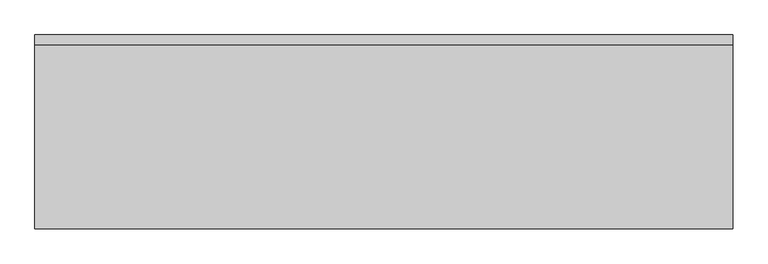
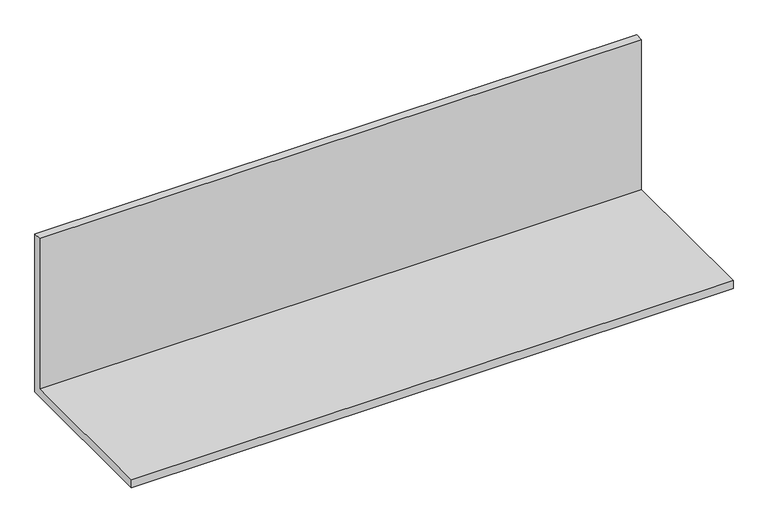
"""IFC4 building model written with IfcOpenShell, lengths in millimetres: furniture geometry."""

from ifc_helpers import new_model, si_unit, frame, origin, place, context, project, spatial, polyline, outline, extrude, source, transform, mapped, element, save


def furniture_96188cb9(model_context):
    return source(origin(), model_context, "Body", "SweptSolid", [
        extrude(outline(polyline([(57.15, 1311.275), (-323.85, 1311.275), (-323.85, 1330.325), (38.1, 1330.325), (38.1, 1692.275), (57.15, 1692.275), (57.15, 1311.275)])), frame((0.0, 0.0, 0.0), z_axis=(1.0, 0.0, 0.0), x_axis=(0.0, 1.0, 0.0)), (0.0, 0.0, 1.0), 1371.6),
    ])


if __name__ == "__main__":
    model = new_model("IFC4")
    model_context = context("Model", 3, world=origin())
    ifc_project = project(units=[si_unit("LENGTHUNIT", "METRE", prefix="MILLI")], contexts=[model_context])
    site = spatial("IfcSite", under=ifc_project)
    building = spatial("IfcBuilding", under=site)
    placement = place(None, origin())
    furniture_shape = furniture_96188cb9(model_context)
    element("IfcFurniture", 1, at=placement, inside=building, context=model_context, shape_type="MappedRepresentation", body=[
        mapped(furniture_shape, transform((0.0, 0.0, 0.0), x_axis=(1.0, 0.0, 0.0), y_axis=(0.0, 1.0, 0.0), z_axis=(0.0, 0.0, 1.0))),
    ])
    save(model, "model.ifc")
